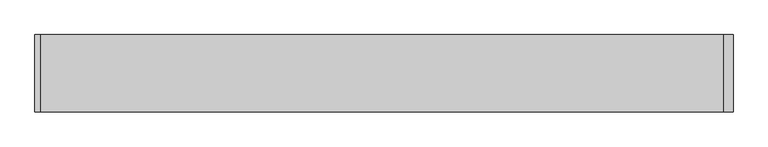
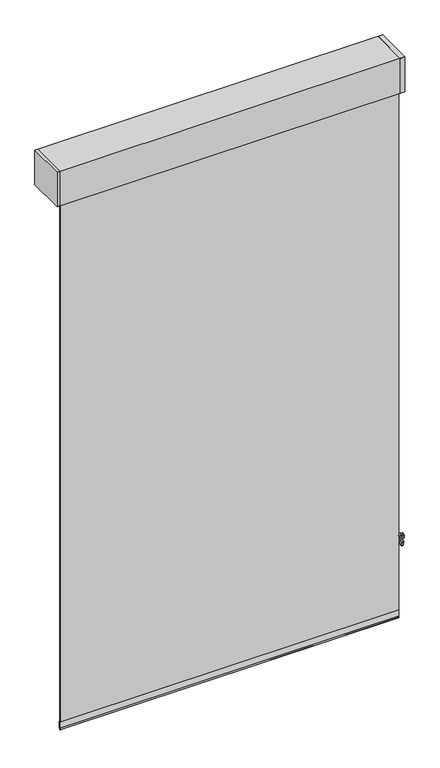
"""IFC4 building model written with IfcOpenShell, lengths in millimetres: proxy geometry."""

from ifc_helpers import new_model, si_unit, point, frame, frame_2d, origin, place, context, project, spatial, polyline, circle_curve, trimmed, segment, composite_curve, outline, extrude, source, transform, mapped, element, save
from ifc_brep_helpers import plane_surface, cylinder_surface, revolved_surface, advanced_brep


def specialty_equipment_85c18383(model_context):
    return source(origin(), model_context, "Body", "SolidModel", [
        advanced_brep(
        [(754.7975373, 114.3, -748.5031492), (759.8345279, 114.3, -754.1318492), (755.147822, 114.3, -796.2412853), (752.1866072, 114.3, -798.8912064), (749.7153928, 114.3, -798.8912064), (746.754178, 114.3, -796.2412853), (742.0674721, 114.3, -754.1318492), (747.1044627, 114.3, -748.5031492), (747.776, 114.3, -755.1453529), (754.126, 114.3, -755.1453529), (747.776, 114.3, -790.8641029), (754.126, 114.3, -790.8641029), (754.7975373, 101.6, -748.5031492), (747.1044627, 101.6, -748.5031492), (742.0674721, 101.6, -754.1318492), (743.2919654, 101.6, -765.1337606), (758.6100346, 101.6, -765.1337606), (759.8345279, 101.6, -754.1318492), (747.776, 101.6, -755.1453529), (754.126, 101.6, -755.1453529), (746.754178, 101.6, -796.2412853), (749.7153928, 101.6, -798.8912064), (752.1866072, 101.6, -798.8912064), (755.147822, 101.6, -796.2412853), (756.9731218, 101.6, -779.8412064), (744.9288782, 101.6, -779.8412064), (747.776, 101.6, -790.8641029), (754.126, 101.6, -790.8641029), (758.6100346, 111.125, -765.1337606), (756.9731218, 111.125, -779.8412064), (744.9288782, 111.125, -779.8412064), (743.2919654, 111.125, -765.1337606)],
        [
            (0, 1, circle_curve(frame((754.7975373, 114.3, -753.5712411), z_axis=(0.0, 1.0, 0.0), x_axis=(-1.0, 0.0, 0.0)), 5.0680919)),
            (1, 2),
            (2, 3, circle_curve(frame((752.1866072, 114.3, -795.9117073), z_axis=(0.0, 1.0, 0.0), x_axis=(-1.0, 0.0, 0.0)), 2.9794991)),
            (3, 4),
            (4, 5, circle_curve(frame((749.7153928, 114.3, -795.9117073), z_axis=(0.0, 1.0, 0.0), x_axis=(1.0, 0.0, 0.0)), 2.9794991)),
            (5, 6),
            (6, 7, circle_curve(frame((747.1044627, 114.3, -753.5712411), z_axis=(0.0, 1.0, 0.0), x_axis=(1.0, 0.0, 0.0)), 5.0680919)),
            (7, 0),
            (8, 9, circle_curve(frame((750.951, 114.3, -755.1453529), z_axis=(0.0, -1.0, 0.0), x_axis=(1.0, 0.0, 0.0)), 3.175)),
            (9, 8, circle_curve(frame((750.951, 114.3, -755.1453529), z_axis=(0.0, -1.0, 0.0), x_axis=(1.0, 0.0, 0.0)), 3.175)),
            (10, 11, circle_curve(frame((750.951, 114.3, -790.8641029), z_axis=(0.0, -1.0, 0.0), x_axis=(1.0, 0.0, 0.0)), 3.175)),
            (11, 10, circle_curve(frame((750.951, 114.3, -790.8641029), z_axis=(0.0, -1.0, 0.0), x_axis=(1.0, 0.0, 0.0)), 3.175)),
            (12, 13),
            (13, 14, circle_curve(frame((747.1044627, 101.6, -753.5712411), z_axis=(0.0, -1.0, 0.0), x_axis=(1.0, 0.0, 0.0)), 5.0680919)),
            (14, 15),
            (15, 16),
            (16, 17),
            (17, 12, circle_curve(frame((754.7975373, 101.6, -753.5712411), z_axis=(0.0, -1.0, 0.0), x_axis=(-1.0, 0.0, 0.0)), 5.0680919)),
            (18, 19, circle_curve(frame((750.951, 101.6, -755.1453529), z_axis=(0.0, 1.0, 0.0), x_axis=(1.0, 0.0, 0.0)), 3.175)),
            (19, 18, circle_curve(frame((750.951, 101.6, -755.1453529), z_axis=(0.0, 1.0, 0.0), x_axis=(1.0, 0.0, 0.0)), 3.175)),
            (20, 21, circle_curve(frame((749.7153928, 101.6, -795.9117073), z_axis=(0.0, -1.0, 0.0), x_axis=(1.0, 0.0, 0.0)), 2.9794991)),
            (21, 22),
            (22, 23, circle_curve(frame((752.1866072, 101.6, -795.9117073), z_axis=(0.0, -1.0, 0.0), x_axis=(-1.0, 0.0, 0.0)), 2.9794991)),
            (23, 24),
            (24, 25),
            (25, 20),
            (26, 27, circle_curve(frame((750.951, 101.6, -790.8641029), z_axis=(0.0, 1.0, 0.0), x_axis=(1.0, 0.0, 0.0)), 3.175)),
            (27, 26, circle_curve(frame((750.951, 101.6, -790.8641029), z_axis=(0.0, 1.0, 0.0), x_axis=(1.0, 0.0, 0.0)), 3.175)),
            (0, 12),
            (17, 1),
            (16, 28),
            (28, 29),
            (29, 24),
            (23, 2),
            (22, 3),
            (21, 4),
            (20, 5),
            (25, 30),
            (30, 31),
            (31, 15),
            (14, 6),
            (13, 7),
            (8, 18),
            (19, 9),
            (10, 26),
            (27, 11),
            (28, 31),
            (30, 29),
        ],
        [
            plane_surface(frame((749.7294454, 114.3, -753.5712411), z_axis=(0.0, 1.0, 0.0), x_axis=(0.0, 0.0, 1.0))),
            plane_surface(frame((749.7294454, 101.6, -753.5712411), z_axis=(0.0, -1.0, 0.0), x_axis=(0.0, 0.0, -1.0))),
            cylinder_surface(frame((754.7975373, 101.6, -753.5712411), z_axis=(0.0, 1.0, 0.0), x_axis=(-1.0, 0.0, 0.0)), 5.0680919),
            plane_surface(frame((759.8345279, 114.3, -754.1318492), z_axis=(0.9938633059315283, 0.0, -0.11061523006735367), x_axis=(0.0, -1.0, 0.0))),
            cylinder_surface(frame((752.1866072, 101.6, -795.9117073), z_axis=(0.0, 1.0, 0.0), x_axis=(-1.0, 0.0, 0.0)), 2.9794991),
            plane_surface(frame((752.1866072, 114.3, -798.8912064), z_axis=(0.0, 0.0, -1.0), x_axis=(0.0, -1.0, 0.0))),
            cylinder_surface(frame((749.7153928, 101.6, -795.9117073), z_axis=(0.0, 1.0, 0.0), x_axis=(1.0, 0.0, 0.0)), 2.9794991),
            plane_surface(frame((746.754178, 114.3, -796.2412853), z_axis=(-0.9938633059315276, 0.0, -0.11061523006736003), x_axis=(0.0, -1.0, 0.0))),
            cylinder_surface(frame((747.1044627, 101.6, -753.5712411), z_axis=(0.0, 1.0, 0.0), x_axis=(1.0, 0.0, 0.0)), 5.0680919),
            plane_surface(frame((747.1044627, 114.3, -748.5031492), z_axis=(0.0, 0.0, 1.0), x_axis=(0.0, -1.0, 0.0))),
            revolved_surface(polyline([(754.126, 101.6, -755.1453529), (754.126, 114.3, -755.1453529)]), (750.951, 101.6, -755.1453529), (0.0, -1.0, 0.0)),
            revolved_surface(polyline([(754.126, 101.6, -790.8641029), (754.126, 114.3, -790.8641029)]), (750.951, 101.6, -790.8641029), (0.0, -1.0, 0.0)),
            plane_surface(frame((732.092928, 111.125, -779.8412064), z_axis=(0.0, -1.0, 0.0), x_axis=(-1.0, 0.0, 0.0))),
            plane_surface(frame((759.6783137, 111.125, -779.8412064), z_axis=(0.0, 0.0, 1.0), x_axis=(0.0, -1.0, 0.0))),
            plane_surface(frame((741.8653132, 111.125, -765.1337606), z_axis=(0.0, 0.0, -1.0), x_axis=(0.0, -1.0, 0.0))),
        ],
        [
            (0, [[1, 2, 3, 4, 5, 6, 7, 8], [9, 10], [11, 12]]),
            (1, [[13, 14, 15, 16, 17, 18], [19, 20]]),
            (1, [[21, 22, 23, 24, 25, 26], [27, 28]]),
            (2, [[-1, 29, -18, 30]]),
            (3, [[-2, -30, -17, 31, 32, 33, -24, 34]]),
            (4, [[-3, -34, -23, 35]]),
            (5, [[-4, -35, -22, 36]]),
            (6, [[-5, -36, -21, 37]]),
            (7, [[-6, -37, -26, 38, 39, 40, -15, 41]]),
            (8, [[-7, -41, -14, 42]]),
            (9, [[-8, -42, -13, -29]]),
            (10, [[-9, 43, -20, 44]]),
            (10, [[-10, -44, -19, -43]]),
            (11, [[-11, 45, -28, 46]]),
            (11, [[-12, -46, -27, -45]]),
            (12, [[47, -39, 48, -32]]),
            (13, [[-48, -38, -25, -33]]),
            (14, [[-47, -31, -16, -40]]),
        ],
    ),
        extrude(outline(composite_curve([segment(trimmed(circle_curve(frame_2d((752.637611, 194.8138288)), 1.5875), [point((751.050111, 194.8138288))], [point((754.225111, 194.8138288))], False, "CARTESIAN"), True, "CONTINUOUS"), segment(trimmed(circle_curve(frame_2d((752.637611, 194.8138288)), 1.5875), [point((754.225111, 194.8138288))], [point((751.050111, 194.8138288))], False, "CARTESIAN"), True, "CONTINUOUS")], self_intersect=False)), frame((0.0, 0.0, -771.4837606), z_axis=(0.0, 0.0, 1.0), x_axis=(1.0, 0.0, 0.0)), (0.0, 0.0, 1.0), 2072.64),
        extrude(outline(composite_curve([segment(trimmed(circle_curve(frame_2d((752.637611, 226.5638288)), 1.5875), [point((751.050111, 226.5638288))], [point((754.225111, 226.5638288))], False, "CARTESIAN"), True, "CONTINUOUS"), segment(trimmed(circle_curve(frame_2d((752.637611, 226.5638288)), 1.5875), [point((754.225111, 226.5638288))], [point((751.050111, 226.5638288))], False, "CARTESIAN"), True, "CONTINUOUS")], self_intersect=False)), frame((0.0, 0.0, -771.4837606), z_axis=(0.0, 0.0, 1.0), x_axis=(1.0, 0.0, 0.0)), (0.0, 0.0, 1.0), 2072.64),
        extrude(outline(polyline([(762.0, 269.9742187), (762.0, 101.6), (741.426, 101.6), (741.426, 269.9742187), (762.0, 269.9742187)])), frame((0.0, 0.0, 1301.1562394), z_axis=(0.0, 0.0, 1.0), x_axis=(1.0, 0.0, 0.0)), (0.0, 0.0, 1.0), 160.0398437),
        extrude(outline(polyline([(-750.316, 269.9742187), (-750.316, 101.6), (-762.0, 101.6), (-762.0, 269.9742187), (-750.316, 269.9742187)])), frame((0.0, 0.0, 1301.1562394), z_axis=(0.0, 0.0, 1.0), x_axis=(1.0, 0.0, 0.0)), (0.0, 0.0, 1.0), 160.0398437),
        extrude(outline(polyline([(-762.0, 269.9742187), (762.0, 269.9742187), (762.0, 101.6), (-762.0, 101.6), (-762.0, 269.9742187)])), frame((0.0, 0.0, 1301.1562394), z_axis=(0.0, 0.0, 1.0), x_axis=(1.0, 0.0, 0.0)), (0.0, 0.0, 1.0), 160.0398437),
        extrude(outline(polyline([(741.426, 114.3), (-741.426, 114.3), (-741.426, 117.475), (741.426, 117.475), (741.426, 114.3)])), frame((0.0, 0.0, -1137.2437606), z_axis=(0.0, 0.0, 1.0), x_axis=(1.0, 0.0, 0.0)), (0.0, 0.0, 1.0), 2438.4),
        extrude(outline(composite_curve([segment(polyline([(115.9109476, -1093.1658784), (117.4825911, -1093.1658784)]), True, "CONTINUOUS"), segment(trimmed(circle_curve(frame_2d((58.6477456, -1114.5765725)), 62.6095589), [point((117.4825911, -1093.1658784))], [point((117.1000216, -1137.0106606))], False, "CARTESIAN"), True, "CONTINUOUS"), segment(trimmed(circle_curve(frame_2d((116.6967693, -1136.8216302)), 0.4453592), [point((117.1000216, -1137.0106606))], [point((116.2935171, -1137.0106606))], False, "CARTESIAN"), True, "CONTINUOUS"), segment(trimmed(circle_curve(frame_2d((174.7457931, -1114.5765725)), 62.6095589), [point((116.2935171, -1137.0106606))], [point((115.9109476, -1093.1658784))], False, "CARTESIAN"), True, "CONTINUOUS")], self_intersect=False)), frame((-741.426, 0.0, 0.0), z_axis=(1.0, 0.0, 0.0), x_axis=(0.0, 1.0, 0.0)), (0.0, 0.0, 1.0), 1482.852),
    ])


if __name__ == "__main__":
    model = new_model("IFC4")
    model_context = context("Model", 3, world=origin())
    ifc_project = project(units=[si_unit("LENGTHUNIT", "METRE", prefix="MILLI")], contexts=[model_context])
    site = spatial("IfcSite", under=ifc_project)
    building = spatial("IfcBuilding", under=site)
    placement = place(None, origin())
    specialty_equipment_shape = specialty_equipment_85c18383(model_context)
    element("IfcBuildingElementProxy", 1, Name="Specialty Equipment", at=placement, inside=building, context=model_context, shape_type="MappedRepresentation", body=[
        mapped(specialty_equipment_shape, transform((0.0, 0.0, 0.0), x_axis=(1.0, 0.0, 0.0), y_axis=(0.0, 1.0, 0.0), z_axis=(0.0, 0.0, 1.0))),
    ])
    save(model, "model.ifc")
